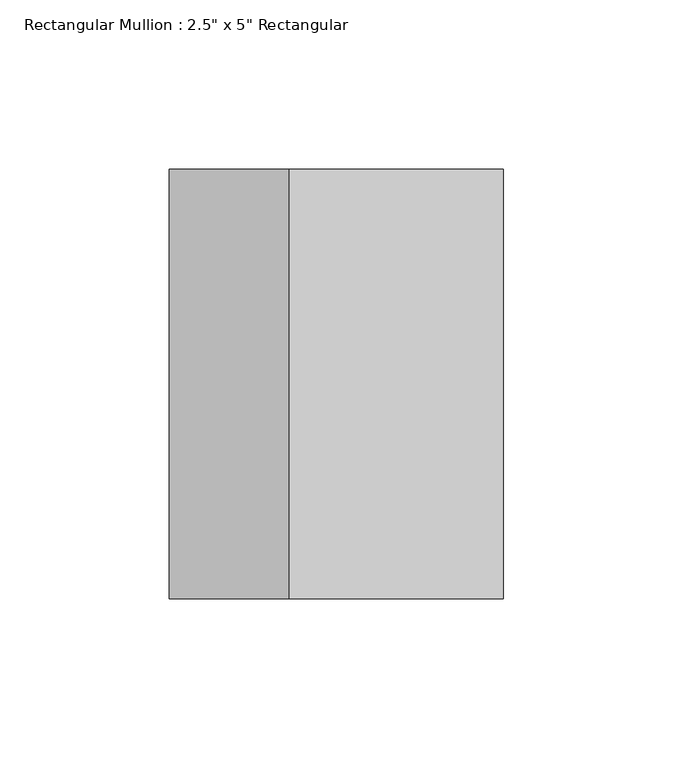
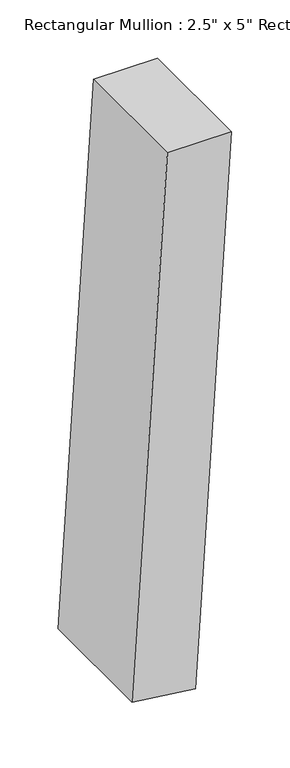
"""IFC4 building model written with IfcOpenShell, lengths in millimetres: member geometry."""

from ifc_helpers import new_model, si_unit, point, frame, frame_2d, origin, place, context, project, spatial, polyline, circle_curve, trimmed, segment, composite_curve, outline, extrude, source, transform, mapped, element, save


def member_70b7fbfd(model_context):
    return source(origin(), model_context, "Body", "SweptSolid", [
        extrude(outline(composite_curve([segment(trimmed(circle_curve(frame_2d((0.0, -4572.0)), 4572.0), [point((-571.5, -35.8593772))], [point((0.0, 0.0))], False, "CARTESIAN"), True, "CONTINUOUS"), segment(polyline([(0.0, 0.0), (0.0, -63.5)]), True, "CONTINUOUS"), segment(trimmed(circle_curve(frame_2d((0.0, -4572.0)), 4508.5), [point((0.0, -63.5))], [point((-563.5625, -98.8613303))], True, "CARTESIAN"), True, "CONTINUOUS"), segment(polyline([(-563.5625, -98.8613303), (-571.5, -35.8593772)]), True, "CONTINUOUS")], self_intersect=False)), frame((0.0, -63.5, 0.0), z_axis=(0.0, 1.0, 0.0), x_axis=(0.0, 0.0, 1.0)), (0.0, 0.0, 1.0), 127.0),
    ])


if __name__ == "__main__":
    model = new_model("IFC4")
    model_context = context("Model", 3, world=origin())
    ifc_project = project(units=[si_unit("LENGTHUNIT", "METRE", prefix="MILLI")], contexts=[model_context])
    site = spatial("IfcSite", under=ifc_project)
    building = spatial("IfcBuilding", under=site)
    placement = place(None, origin())
    member_shape = member_70b7fbfd(model_context)
    element("IfcMember", 1, ObjectType="Rectangular Mullion : 2.5\" x 5\" Rectangular", at=placement, inside=building, context=model_context, shape_type="MappedRepresentation", body=[
        mapped(member_shape, transform((0.0, 0.0, 0.0), x_axis=(1.0, 0.0, 0.0), y_axis=(0.0, 1.0, 0.0), z_axis=(0.0, 0.0, 1.0))),
    ])
    save(model, "model.ifc")
